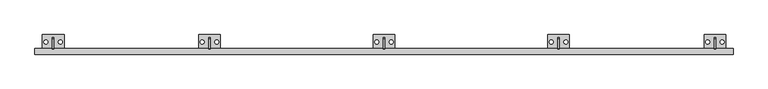
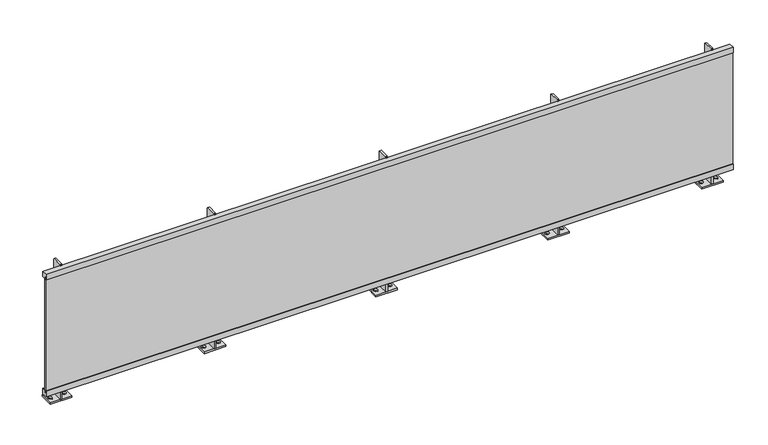
"""IFC4 building model written with IfcOpenShell, lengths in millimetres: railing geometry."""

import ifcopenshell
import ifcopenshell.guid

model = None  # the IFC model being written
_history = None  # IfcOwnerHistory: only IFC2X3 demands one
_inside = {}  # id of a spatial element -> (the spatial element, [elements in it])
_under = {}  # id of a project, library or spatial element -> (it, [spatial elements below it])
_declared = {}  # id of a project -> (the project, [libraries it declares])
_typed = {}  # id of a type object -> (the type object, [elements of that type])
_made_of = {}  # id of a material, layer set ... -> (it, [elements and type objects made of it])


def new_model(schema):
    """Start an empty IFC model of exactly this schema.

    Asked for "IFC4X3", IfcOpenShell would pick the latest addendum, in which some entities
    have other attributes; the version numbers below select the first issue.
    IFC2X3 requires an IfcOwnerHistory on every rooted entity: one is made here for all.
    """
    global model, _history
    if schema == "IFC4X3":
        model = ifcopenshell.file(schema_version=(4, 3, 0, 0))
    else:
        model = ifcopenshell.file(schema=schema)
    _inside.clear()
    _under.clear()
    _declared.clear()
    _typed.clear()
    _made_of.clear()
    _history = None
    if model.schema == "IFC2X3":
        org = make("IfcOrganization", Name="unknown")
        user = make(
            "IfcPersonAndOrganization",
            ThePerson=make("IfcPerson", FamilyName="unknown"),
            TheOrganization=org,
        )
        app = make(
            "IfcApplication",
            ApplicationDeveloper=org,
            Version="unknown",
            ApplicationFullName="unknown",
            ApplicationIdentifier="unknown",
        )
        _history = make(
            "IfcOwnerHistory",
            OwningUser=user,
            OwningApplication=app,
            ChangeAction="ADDED",
            CreationDate=0,
        )
    return model


def make(cls, **values):
    """One entity of the class cls with the attributes given. An attribute that is None is left unset."""
    return model.create_entity(
        cls, **{name: value for name, value in values.items() if value is not None}
    )


def rooted(cls, **values):
    """An entity with a GlobalId (a new one), such as an element, a storey or a relation."""
    return make(cls, GlobalId=ifcopenshell.guid.new(), OwnerHistory=_history, **values)


def si_unit(unit_type, name, prefix=None):
    """IfcSIUnit, for example si_unit("LENGTHUNIT", "METRE", prefix="MILLI")."""
    return make("IfcSIUnit", UnitType=unit_type, Prefix=prefix, Name=name)


def assignment(units):
    """IfcUnitAssignment: the units of a project."""
    return None if units is None else make("IfcUnitAssignment", Units=units)


def point(xyz):
    """IfcCartesianPoint."""
    return None if xyz is None else make("IfcCartesianPoint", Coordinates=xyz)


def direction(xyz):
    """IfcDirection."""
    return None if xyz is None else make("IfcDirection", DirectionRatios=xyz)


def frame(location, z_axis=None, x_axis=None):
    """IfcAxis2Placement3D, a coordinate frame: its origin and axes. An axis left out is left unset."""
    return make(
        "IfcAxis2Placement3D",
        Location=point(location),
        Axis=direction(z_axis),
        RefDirection=direction(x_axis),
    )


def frame_2d(location, x_axis=None):
    """IfcAxis2Placement2D, a coordinate frame in the plane: its origin and x axis."""
    return make(
        "IfcAxis2Placement2D", Location=point(location), RefDirection=direction(x_axis)
    )


def origin():
    """The frame at (0, 0, 0) with its axes left unset."""
    return frame((0.0, 0.0, 0.0))


def origin_with_axes():
    """The frame at (0, 0, 0) with the z axis (0, 0, 1) and the x axis (1, 0, 0) written out."""
    return frame((0.0, 0.0, 0.0), z_axis=(0.0, 0.0, 1.0), x_axis=(1.0, 0.0, 0.0))


def place(relative_to, where):
    """IfcLocalPlacement: puts the frame where relative to a parent placement (None: the world)."""
    return make(
        "IfcLocalPlacement", PlacementRelTo=relative_to, RelativePlacement=where
    )


def context(
    kind, dimensions, precision=None, world=None, true_north=None, identifier=None
):
    """IfcGeometricRepresentationContext, for example the 3D "Model" context."""
    return make(
        "IfcGeometricRepresentationContext",
        ContextIdentifier=identifier,
        ContextType=kind,
        CoordinateSpaceDimension=dimensions,
        Precision=precision,
        WorldCoordinateSystem=world,
        TrueNorth=true_north,
    )


def project(units=None, contexts=None):
    """IfcProject with its units and contexts."""
    return rooted(
        "IfcProject",
        Name="project",
        RepresentationContexts=contexts,
        UnitsInContext=assignment(units),
    )


def spatial(cls, under=None, at=None, **own):
    """A site, building, storey or space (cls), placed at a placement, below another one or the project."""
    s = rooted(cls, ObjectPlacement=at, **own)
    if under is not None:
        _under.setdefault(under.id(), (under, []))[1].append(s)
    return s


def polyline(points):
    """IfcPolyline through the points."""
    return make("IfcPolyline", Points=[point(p) for p in points])


def circle_curve(where, radius):
    """IfcCircle in the frame where."""
    return make("IfcCircle", Position=where, Radius=radius)


def trimmed(basis, trim1, trim2, sense, master):
    """IfcTrimmedCurve: the piece of a basis curve between two trims."""
    return make(
        "IfcTrimmedCurve",
        BasisCurve=basis,
        Trim1=trim1,
        Trim2=trim2,
        SenseAgreement=sense,
        MasterRepresentation=master,
    )


def segment(curve, same_sense, transition):
    """IfcCompositeCurveSegment."""
    return make(
        "IfcCompositeCurveSegment",
        Transition=transition,
        SameSense=same_sense,
        ParentCurve=curve,
    )


def composite_curve(segments, self_intersect=None):
    """IfcCompositeCurve: segments joined end to end."""
    return make("IfcCompositeCurve", Segments=segments, SelfIntersect=self_intersect)


def outline(outer, holes=None, kind="AREA"):
    """IfcArbitraryClosedProfileDef: a profile drawn as a closed curve; with holes, ...WithVoids."""
    if holes is None:
        return make("IfcArbitraryClosedProfileDef", ProfileType=kind, OuterCurve=outer)
    return make(
        "IfcArbitraryProfileDefWithVoids",
        ProfileType=kind,
        OuterCurve=outer,
        InnerCurves=holes,
    )


def extrude(swept, where, along, depth):
    """IfcExtrudedAreaSolid: the profile swept, set in the frame where, extruded along a direction by depth."""
    return make(
        "IfcExtrudedAreaSolid",
        SweptArea=swept,
        Position=where,
        ExtrudedDirection=direction(along),
        Depth=depth,
    )


def shape(context_of_items, identifier, shape_type, items):
    """IfcShapeRepresentation: the items that make up one representation, for example the "Body"."""
    return make(
        "IfcShapeRepresentation",
        ContextOfItems=context_of_items,
        RepresentationIdentifier=identifier,
        RepresentationType=shape_type,
        Items=items,
    )


def source(mapping_origin, context_of_items, identifier, shape_type, items):
    """IfcRepresentationMap: a shape defined once, which mapped items show again and again."""
    return make(
        "IfcRepresentationMap",
        MappingOrigin=mapping_origin,
        MappedRepresentation=shape(context_of_items, identifier, shape_type, items),
    )


def transform(
    local_origin,
    x_axis=None,
    y_axis=None,
    z_axis=None,
    scale=None,
    scale2=None,
    scale3=None,
    uniform=True,
):
    """IfcCartesianTransformationOperator3D, or its non-uniform kind. x_axis, y_axis, z_axis: its Axis1, 2, 3."""
    if uniform:
        return make(
            "IfcCartesianTransformationOperator3D",
            Axis1=direction(x_axis),
            Axis2=direction(y_axis),
            LocalOrigin=point(local_origin),
            Scale=scale,
            Axis3=direction(z_axis),
        )
    return make(
        "IfcCartesianTransformationOperator3DnonUniform",
        Axis1=direction(x_axis),
        Axis2=direction(y_axis),
        LocalOrigin=point(local_origin),
        Scale=scale,
        Axis3=direction(z_axis),
        Scale2=scale2,
        Scale3=scale3,
    )


def mapped(mapping_source, mapping_target):
    """IfcMappedItem: shows the shape of a source again, moved by a transform."""
    return make(
        "IfcMappedItem", MappingSource=mapping_source, MappingTarget=mapping_target
    )


def made_of(thing, what):
    """Note that an element or type object is made of a material, layer set ...; save() writes the relation."""
    if what is not None:
        _made_of.setdefault(what.id(), (what, []))[1].append(thing)
    return thing


def element(
    cls,
    number,
    at=None,
    inside=None,
    cuts=None,
    type_object=None,
    material=None,
    context=None,
    identifier="Body",
    shape_type=None,
    held_by="IfcProductDefinitionShape",
    body=None,
    shapes=None,
    **own,
):
    """One element of the class cls, such as IfcWall. Its Tag is "e" and its number.

    at: its placement. inside: the storey or other place that contains it. cuts: it is an
    opening in that element (IfcRelVoidsElement). A single representation is given by context,
    identifier, shape_type and body (its items); several are given by shapes. held_by: the class
    of the entity that holds the representations. save() writes the other relations.
    """
    e = rooted(cls, Tag="e%d" % number, ObjectPlacement=at, **own)
    if body is not None:
        shapes = [shape(context, identifier, shape_type, body)]
    if shapes is not None:
        e.Representation = make(held_by, Representations=shapes)
    if inside is not None:
        _inside.setdefault(inside.id(), (inside, []))[1].append(e)
    if cuts is not None:
        rooted(
            "IfcRelVoidsElement", RelatingBuildingElement=cuts, RelatedOpeningElement=e
        )
    if type_object is not None:
        _typed.setdefault(type_object.id(), (type_object, []))[1].append(e)
    return made_of(e, material)


def aggregate(whole, parts):
    """IfcRelAggregates: a whole, such as a stair, and the parts it consists of."""
    return rooted("IfcRelAggregates", RelatingObject=whole, RelatedObjects=parts)


def save(model, path):
    """Write the relations noted so far, then the file.

    IfcRelAggregates (storeys below a building ...), IfcRelContainedInSpatialStructure (elements
    in a storey), IfcRelDefinesByType, IfcRelAssociatesMaterial and IfcRelDeclares: one each for
    every whole, place, type object, material and project.
    """
    for whole, parts in _under.values():
        aggregate(whole, parts)
    for where, things in _inside.values():
        rooted(
            "IfcRelContainedInSpatialStructure",
            RelatedElements=things,
            RelatingStructure=where,
        )
    for kind, things in _typed.values():
        rooted("IfcRelDefinesByType", RelatedObjects=things, RelatingType=kind)
    for what, things in _made_of.values():
        rooted("IfcRelAssociatesMaterial", RelatedObjects=things, RelatingMaterial=what)
    for by, libraries in _declared.values():
        rooted("IfcRelDeclares", RelatingContext=by, RelatedDefinitions=libraries)
    model.write(path)


def railing_bd5682d3(model_context):
    return source(origin(), model_context, "Body", "SweptSolid", [
        extrude(outline(polyline([(1460.8762642, 1000.0), (1460.8762642, 960.0), (1439.3762642, 960.0), (1439.3762642, 980.0), (1423.3762642, 980.0), (1423.3762642, 960.0), (1420.8762642, 960.0), (1420.8762642, 1000.0), (1460.8762642, 1000.0)])), frame((9960.6479588, 0.0, 0.0), z_axis=(1.0, 0.0, 0.0), x_axis=(0.0, 1.0, 0.0)), (0.0, 0.0, 1.0), 4800.0),
        extrude(outline(polyline([(9960.6479588, 1426.8762642), (9960.6479588, 1434.8762642), (14760.6479588, 1434.8762642), (14760.6479588, 1426.8762642), (9960.6479588, 1426.8762642)])), frame((0.0, 0.0, 135.0), z_axis=(0.0, 0.0, 1.0), x_axis=(1.0, 0.0, 0.0)), (0.0, 0.0, 1.0), 825.0),
        extrude(outline(polyline([(1460.8762642, 95.0), (1420.8762642, 95.0), (1420.8762642, 135.0), (1423.3762642, 135.0), (1423.3762642, 115.0), (1439.3762642, 115.0), (1439.3762642, 135.0), (1460.8762642, 135.0), (1460.8762642, 95.0)])), frame((9960.6479588, 0.0, 0.0), z_axis=(1.0, 0.0, 0.0), x_axis=(0.0, 1.0, 0.0)), (0.0, 0.0, 1.0), 4800.0),
        extrude(outline(polyline([(1535.8762642, 12.0), (1455.8762642, 12.0), (1455.8762642, 1005.0), (1460.8762642, 1010.0), (1530.8762642, 1010.0), (1535.8762642, 1005.0), (1535.8762642, 12.0)])), frame((13554.6479588, 0.0, 0.0), z_axis=(1.0, 0.0, 0.0), x_axis=(0.0, 1.0, 0.0)), (0.0, 0.0, 1.0), 12.0),
        extrude(outline(polyline([(13485.6479588, 1555.8762642), (13635.6479588, 1555.8762642), (13635.6479588, 1455.8762642), (13485.6479588, 1455.8762642), (13485.6479588, 1555.8762642)]), holes=[composite_curve([segment(trimmed(circle_curve(frame_2d((13510.6479588, 1505.8762642)), 13.5), [point((13510.6479588, 1492.3762642))], [point((13510.6479588, 1519.3762642))], True, "CARTESIAN"), True, "CONTINUOUS"), segment(trimmed(circle_curve(frame_2d((13510.6479588, 1505.8762642)), 13.5), [point((13510.6479588, 1519.3762642))], [point((13510.6479588, 1492.3762642))], True, "CARTESIAN"), True, "CONTINUOUS")], self_intersect=False), composite_curve([segment(trimmed(circle_curve(frame_2d((13610.6479588, 1505.8762642)), 13.5), [point((13610.6479588, 1492.3762642))], [point((13610.6479588, 1519.3762642))], True, "CARTESIAN"), True, "CONTINUOUS"), segment(trimmed(circle_curve(frame_2d((13610.6479588, 1505.8762642)), 13.5), [point((13610.6479588, 1519.3762642))], [point((13610.6479588, 1492.3762642))], True, "CARTESIAN"), True, "CONTINUOUS")], self_intersect=False)]), origin_with_axes(), (0.0, 0.0, 1.0), 12.0),
        extrude(outline(polyline([(1535.8762642, 12.0), (1455.8762642, 12.0), (1455.8762642, 1005.0), (1460.8762642, 1010.0), (1530.8762642, 1010.0), (1535.8762642, 1005.0), (1535.8762642, 12.0)])), frame((12354.6479588, 0.0, 0.0), z_axis=(1.0, 0.0, 0.0), x_axis=(0.0, 1.0, 0.0)), (0.0, 0.0, 1.0), 12.0),
        extrude(outline(polyline([(12285.6479588, 1555.8762642), (12435.6479588, 1555.8762642), (12435.6479588, 1455.8762642), (12285.6479588, 1455.8762642), (12285.6479588, 1555.8762642)]), holes=[composite_curve([segment(trimmed(circle_curve(frame_2d((12310.6479588, 1505.8762642)), 13.5), [point((12310.6479588, 1492.3762642))], [point((12310.6479588, 1519.3762642))], True, "CARTESIAN"), True, "CONTINUOUS"), segment(trimmed(circle_curve(frame_2d((12310.6479588, 1505.8762642)), 13.5), [point((12310.6479588, 1519.3762642))], [point((12310.6479588, 1492.3762642))], True, "CARTESIAN"), True, "CONTINUOUS")], self_intersect=False), composite_curve([segment(trimmed(circle_curve(frame_2d((12410.6479588, 1505.8762642)), 13.5), [point((12410.6479588, 1492.3762642))], [point((12410.6479588, 1519.3762642))], True, "CARTESIAN"), True, "CONTINUOUS"), segment(trimmed(circle_curve(frame_2d((12410.6479588, 1505.8762642)), 13.5), [point((12410.6479588, 1519.3762642))], [point((12410.6479588, 1492.3762642))], True, "CARTESIAN"), True, "CONTINUOUS")], self_intersect=False)]), origin_with_axes(), (0.0, 0.0, 1.0), 12.0),
        extrude(outline(polyline([(1535.8762642, 12.0), (1455.8762642, 12.0), (1455.8762642, 1005.0), (1460.8762642, 1010.0), (1530.8762642, 1010.0), (1535.8762642, 1005.0), (1535.8762642, 12.0)])), frame((11154.6479588, 0.0, 0.0), z_axis=(1.0, 0.0, 0.0), x_axis=(0.0, 1.0, 0.0)), (0.0, 0.0, 1.0), 12.0),
        extrude(outline(polyline([(11085.6479588, 1555.8762642), (11235.6479588, 1555.8762642), (11235.6479588, 1455.8762642), (11085.6479588, 1455.8762642), (11085.6479588, 1555.8762642)]), holes=[composite_curve([segment(trimmed(circle_curve(frame_2d((11110.6479588, 1505.8762642)), 13.5), [point((11110.6479588, 1492.3762642))], [point((11110.6479588, 1519.3762642))], True, "CARTESIAN"), True, "CONTINUOUS"), segment(trimmed(circle_curve(frame_2d((11110.6479588, 1505.8762642)), 13.5), [point((11110.6479588, 1519.3762642))], [point((11110.6479588, 1492.3762642))], True, "CARTESIAN"), True, "CONTINUOUS")], self_intersect=False), composite_curve([segment(trimmed(circle_curve(frame_2d((11210.6479588, 1505.8762642)), 13.5), [point((11210.6479588, 1492.3762642))], [point((11210.6479588, 1519.3762642))], True, "CARTESIAN"), True, "CONTINUOUS"), segment(trimmed(circle_curve(frame_2d((11210.6479588, 1505.8762642)), 13.5), [point((11210.6479588, 1519.3762642))], [point((11210.6479588, 1492.3762642))], True, "CARTESIAN"), True, "CONTINUOUS")], self_intersect=False)]), origin_with_axes(), (0.0, 0.0, 1.0), 12.0),
        extrude(outline(polyline([(1535.8762642, 12.0), (1455.8762642, 12.0), (1455.8762642, 1005.0), (1460.8762642, 1010.0), (1530.8762642, 1010.0), (1535.8762642, 1005.0), (1535.8762642, 12.0)])), frame((14629.6479588, 0.0, 0.0), z_axis=(1.0, 0.0, 0.0), x_axis=(0.0, 1.0, 0.0)), (0.0, 0.0, 1.0), 12.0),
        extrude(outline(polyline([(14560.6479588, 1555.8762642), (14710.6479588, 1555.8762642), (14710.6479588, 1455.8762642), (14560.6479588, 1455.8762642), (14560.6479588, 1555.8762642)]), holes=[composite_curve([segment(trimmed(circle_curve(frame_2d((14585.6479588, 1505.8762642)), 13.5), [point((14585.6479588, 1492.3762642))], [point((14585.6479588, 1519.3762642))], True, "CARTESIAN"), True, "CONTINUOUS"), segment(trimmed(circle_curve(frame_2d((14585.6479588, 1505.8762642)), 13.5), [point((14585.6479588, 1519.3762642))], [point((14585.6479588, 1492.3762642))], True, "CARTESIAN"), True, "CONTINUOUS")], self_intersect=False), composite_curve([segment(trimmed(circle_curve(frame_2d((14685.6479588, 1505.8762642)), 13.5), [point((14685.6479588, 1492.3762642))], [point((14685.6479588, 1519.3762642))], True, "CARTESIAN"), True, "CONTINUOUS"), segment(trimmed(circle_curve(frame_2d((14685.6479588, 1505.8762642)), 13.5), [point((14685.6479588, 1519.3762642))], [point((14685.6479588, 1492.3762642))], True, "CARTESIAN"), True, "CONTINUOUS")], self_intersect=False)]), origin_with_axes(), (0.0, 0.0, 1.0), 12.0),
        extrude(outline(polyline([(1535.8762642, 12.0), (1455.8762642, 12.0), (1455.8762642, 1005.0), (1460.8762642, 1010.0), (1530.8762642, 1010.0), (1535.8762642, 1005.0), (1535.8762642, 12.0)])), frame((10079.6479588, 0.0, 0.0), z_axis=(1.0, 0.0, 0.0), x_axis=(0.0, 1.0, 0.0)), (0.0, 0.0, 1.0), 12.0),
        extrude(outline(polyline([(10010.6479588, 1555.8762642), (10160.6479588, 1555.8762642), (10160.6479588, 1455.8762642), (10010.6479588, 1455.8762642), (10010.6479588, 1555.8762642)]), holes=[composite_curve([segment(trimmed(circle_curve(frame_2d((10035.6479588, 1505.8762642)), 13.5), [point((10035.6479588, 1492.3762642))], [point((10035.6479588, 1519.3762642))], True, "CARTESIAN"), True, "CONTINUOUS"), segment(trimmed(circle_curve(frame_2d((10035.6479588, 1505.8762642)), 13.5), [point((10035.6479588, 1519.3762642))], [point((10035.6479588, 1492.3762642))], True, "CARTESIAN"), True, "CONTINUOUS")], self_intersect=False), composite_curve([segment(trimmed(circle_curve(frame_2d((10135.6479588, 1505.8762642)), 13.5), [point((10135.6479588, 1492.3762642))], [point((10135.6479588, 1519.3762642))], True, "CARTESIAN"), True, "CONTINUOUS"), segment(trimmed(circle_curve(frame_2d((10135.6479588, 1505.8762642)), 13.5), [point((10135.6479588, 1519.3762642))], [point((10135.6479588, 1492.3762642))], True, "CARTESIAN"), True, "CONTINUOUS")], self_intersect=False)]), origin_with_axes(), (0.0, 0.0, 1.0), 12.0),
    ])


if __name__ == "__main__":
    model = new_model("IFC4")
    model_context = context("Model", 3, world=origin())
    ifc_project = project(units=[si_unit("LENGTHUNIT", "METRE", prefix="MILLI")], contexts=[model_context])
    site = spatial("IfcSite", under=ifc_project)
    building = spatial("IfcBuilding", under=site)
    placement = place(None, origin())
    railing_shape = railing_bd5682d3(model_context)
    element("IfcRailing", 1, at=placement, inside=building, context=model_context, shape_type="MappedRepresentation", body=[
        mapped(railing_shape, transform((0.0, 0.0, 0.0), x_axis=(1.0, 0.0, 0.0), y_axis=(0.0, 1.0, 0.0), z_axis=(0.0, 0.0, 1.0))),
    ])
    save(model, "model.ifc")
